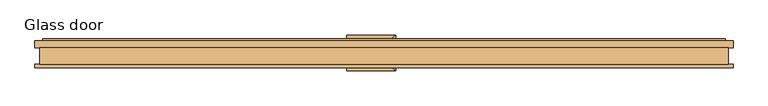
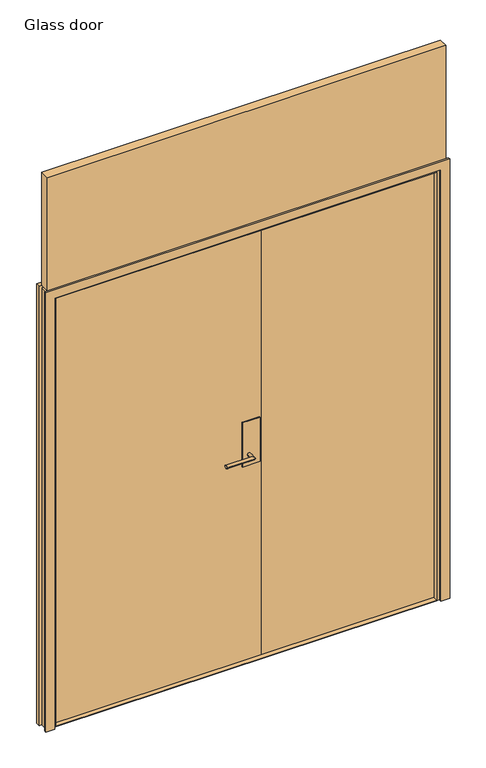
"""IFC4 building model written with IfcOpenShell, lengths in millimetres: door geometry, Glass door."""

from ifc_helpers import new_model, si_unit, frame, origin, origin_with_axes, place, context, project, spatial, polyline, circle_curve, ellipse_curve, outline, extrude, faceted_brep, source, transform, mapped, element, save
from ifc_brep_helpers import plane_surface, cylinder_surface, advanced_brep


def glass_door_e2efcd06(model_context):
    return source(origin(), model_context, "Body", "SolidModel", [
        advanced_brep(
        [(30.0231001, -0.5, 977.0), (15.0231001, -0.5, 977.0), (15.0231001, -23.0, 977.0), (30.0231001, -38.0, 977.0), (-97.4768999, -38.0, 977.0), (-97.4768999, -23.0, 977.0)],
        [
            (0, 1, circle_curve(frame((22.5231001, -0.5, 977.0), z_axis=(0.0, 1.0, 0.0), x_axis=(-1.0, 0.0, 0.0)), 7.5)),
            (1, 0, circle_curve(frame((22.5231001, -0.5, 977.0), z_axis=(0.0, 1.0, 0.0), x_axis=(-1.0, 0.0, 0.0)), 7.5)),
            (1, 2),
            (2, 3, ellipse_curve(frame((22.5231001, -30.5, 977.0), z_axis=(0.7071067811865475, 0.7071067811865475, 0.0), x_axis=(-0.7071067811865474, 0.7071067811865476, 0.0)), 10.6066017, 7.5)),
            (3, 0),
            (3, 2, ellipse_curve(frame((22.5231001, -30.5, 977.0), z_axis=(0.7071067811865475, 0.7071067811865475, 0.0), x_axis=(-0.7071067811865474, 0.7071067811865476, 0.0)), 10.6066017, 7.5)),
            (4, 5, circle_curve(frame((-97.4768999, -30.5, 977.0), z_axis=(-1.0, 0.0, 0.0), x_axis=(0.0, 1.0, 0.0)), 7.5)),
            (5, 4, circle_curve(frame((-97.4768999, -30.5, 977.0), z_axis=(-1.0, 0.0, 0.0), x_axis=(0.0, 1.0, 0.0)), 7.5)),
            (2, 5),
            (4, 3),
        ],
        [
            plane_surface(frame((22.5231001, -0.5, 977.0), z_axis=(0.0, 1.0, 0.0), x_axis=(0.0, 0.0, 1.0))),
            cylinder_surface(frame((22.5231001, -0.5, 977.0), z_axis=(0.0, 1.0, 0.0), x_axis=(-1.0, 0.0, 0.0)), 7.5),
            plane_surface(frame((-97.4768999, -30.5, 977.0), z_axis=(-1.0, 0.0, 0.0), x_axis=(0.0, 0.0, 1.0))),
            cylinder_surface(frame((22.5231001, -30.5, 977.0), z_axis=(1.0, 0.0, 0.0), x_axis=(0.0, 1.0, 0.0)), 7.5),
        ],
        [
            (0, [[1, 2]]),
            (1, [[3, 4, 5, -2]]),
            (1, [[-5, 6, -3, -1]]),
            (2, [[7, 8]]),
            (3, [[9, -7, 10, -4]]),
            (3, [[-10, -8, -9, -6]]),
        ],
    ),
        advanced_brep(
        [(15.0231001, 17.5, 977.0), (30.0231001, 17.5, 977.0), (30.0231001, 55.0, 977.0), (15.0231001, 40.0, 977.0), (-97.4768999, 40.0, 977.0), (-97.4768999, 55.0, 977.0)],
        [
            (0, 1, circle_curve(frame((22.5231001, 17.5, 977.0), z_axis=(0.0, -1.0, 0.0), x_axis=(1.0, 0.0, 0.0)), 7.5)),
            (1, 0, circle_curve(frame((22.5231001, 17.5, 977.0), z_axis=(0.0, -1.0, 0.0), x_axis=(1.0, 0.0, 0.0)), 7.5)),
            (1, 2),
            (2, 3, ellipse_curve(frame((22.5231001, 47.5, 977.0), z_axis=(0.7071067811865475, -0.7071067811865475, 0.0), x_axis=(-0.7071067811865474, -0.7071067811865476, 0.0)), 10.6066017, 7.5)),
            (3, 0),
            (3, 2, ellipse_curve(frame((22.5231001, 47.5, 977.0), z_axis=(0.7071067811865475, -0.7071067811865475, 0.0), x_axis=(-0.7071067811865474, -0.7071067811865476, 0.0)), 10.6066017, 7.5)),
            (4, 5, circle_curve(frame((-97.4768999, 47.5, 977.0), z_axis=(-1.0, 0.0, 0.0), x_axis=(0.0, 1.0, 0.0)), 7.5)),
            (5, 4, circle_curve(frame((-97.4768999, 47.5, 977.0), z_axis=(-1.0, 0.0, 0.0), x_axis=(0.0, 1.0, 0.0)), 7.5)),
            (2, 5),
            (4, 3),
        ],
        [
            plane_surface(frame((22.5231001, 17.5, 977.0), z_axis=(0.0, -1.0, 0.0), x_axis=(0.0, 0.0, 1.0))),
            cylinder_surface(frame((22.5231001, 17.5, 977.0), z_axis=(0.0, -1.0, 0.0), x_axis=(1.0, 0.0, 0.0)), 7.5),
            plane_surface(frame((-97.4768999, 47.5, 977.0), z_axis=(-1.0, 0.0, 0.0), x_axis=(0.0, 0.0, 1.0))),
            cylinder_surface(frame((22.5231001, 47.5, 977.0), z_axis=(1.0, 0.0, 0.0), x_axis=(0.0, 1.0, 0.0)), 7.5),
        ],
        [
            (0, [[1, 2]]),
            (1, [[3, 4, 5, -2]]),
            (1, [[-5, 6, -3, -1]]),
            (2, [[7, 8]]),
            (3, [[9, -7, 10, -4]]),
            (3, [[-10, -8, -9, -6]]),
        ],
    ),
        extrude(outline(polyline([(72.5231001, -0.5), (-7.4768999, -0.5), (-7.4768999, 17.5), (72.5231001, 17.5), (72.5231001, -0.5)])), frame((0.0, 0.0, 927.0), z_axis=(0.0, 0.0, 1.0), x_axis=(1.0, 0.0, 0.0)), (0.0, 0.0, 1.0), 210.0),
        extrude(outline(polyline([(862.5, 3.5), (82.5231001, 3.5), (82.5231001, 13.5), (862.5, 13.5), (862.5, 3.5)])), origin_with_axes(), (0.0, 0.0, 1.0), 2050.0),
        faceted_brep([(897.5, -21.0, 0.0), (909.5, -21.0, 0.0), (909.5, -30.5, 0.0), (870.5, -30.5, 0.0), (870.5, -18.5, 0.0), (857.5, -18.5, 0.0), (857.5, 0.5, 0.0), (869.5, 0.5, 0.0), (869.5, 44.5, 0.0), (889.5, 44.5, 0.0), (889.5, 39.5, 0.0), (909.5, 39.5, 0.0), (909.5, 21.0, 0.0), (897.5, 21.0, 0.0), (897.5, -21.0, 2078.0), (-897.5, -21.0, 2078.0), (-897.5, -21.0, 0.0), (-909.5, -21.0, 0.0), (-909.5, -21.0, 2090.0), (909.5, -21.0, 2090.0), (909.5, -30.5, 2090.0), (-909.5, -30.5, 2090.0), (-909.5, -30.5, 0.0), (-870.5, -30.5, 0.0), (-870.5, -30.5, 2051.0), (870.5, -30.5, 2051.0), (870.5, -18.5, 2051.0), (-870.5, -18.5, 2051.0), (-870.5, -18.5, 0.0), (-857.5, -18.5, 0.0), (-857.5, -18.5, 2038.0), (857.5, -18.5, 2038.0), (857.5, 0.5, 2038.0), (-857.5, 0.5, 2038.0), (-857.5, 0.5, 0.0), (-869.5, 0.5, 0.0), (-869.5, 0.5, 2050.0), (869.5, 0.5, 2050.0), (869.5, 44.5, 2050.0), (-869.5, 44.5, 2050.0), (-869.5, 44.5, 0.0), (-889.5, 44.5, 0.0), (-889.5, 44.5, 2070.0), (889.5, 44.5, 2070.0), (889.5, 39.5, 2070.0), (-889.5, 39.5, 2070.0), (-889.5, 39.5, 0.0), (-909.5, 39.5, 0.0), (-909.5, 39.5, 2090.0), (909.5, 39.5, 2090.0), (909.5, 21.0, 2090.0), (-909.5, 21.0, 2090.0), (-909.5, 21.0, 0.0), (-897.5, 21.0, 0.0), (-897.5, 21.0, 2078.0), (897.5, 21.0, 2078.0)], [[[0, 1, 2, 3, 4, 5, 6, 7, 8, 9, 10, 11, 12, 13]], [[1, 0, 14, 15, 16, 17, 18, 19]], [[2, 1, 19, 20]], [[3, 2, 20, 21, 22, 23, 24, 25]], [[4, 3, 25, 26]], [[5, 4, 26, 27, 28, 29, 30, 31]], [[6, 5, 31, 32]], [[7, 6, 32, 33, 34, 35, 36, 37]], [[8, 7, 37, 38]], [[9, 8, 38, 39, 40, 41, 42, 43]], [[10, 9, 43, 44]], [[11, 10, 44, 45, 46, 47, 48, 49]], [[12, 11, 49, 50]], [[13, 12, 50, 51, 52, 53, 54, 55]], [[0, 13, 55, 14]], [[16, 53, 52, 47, 46, 41, 40, 35, 34, 29, 28, 23, 22, 17]], [[15, 54, 53, 16]], [[51, 48, 47, 52]], [[45, 42, 41, 46]], [[39, 36, 35, 40]], [[33, 30, 29, 34]], [[27, 24, 23, 28]], [[21, 18, 17, 22]], [[14, 55, 54, 15]], [[20, 19, 18, 21]], [[26, 25, 24, 27]], [[32, 31, 30, 33]], [[38, 37, 36, 39]], [[44, 43, 42, 45]], [[50, 49, 48, 51]]]),
        extrude(outline(polyline([(-862.5, 13.5), (82.5231001, 13.5), (82.5231001, 3.5), (-862.5, 3.5), (-862.5, 13.5)])), origin_with_axes(), (0.0, 0.0, 1.0), 2050.0),
        extrude(outline(polyline([(869.5, 44.5), (869.5, 15.5), (857.5, 15.5), (857.5, -18.5), (-857.5, -18.5), (-857.5, 0.5), (-869.5, 0.5), (-869.5, 44.5), (869.5, 44.5)])), origin_with_axes(), (0.0, 0.0, 1.0), 2.0),
        extrude(outline(polyline([(897.5, 21.0), (897.5, -21.0), (-897.5, -21.0), (-897.5, 21.0), (897.5, 21.0)])), frame((0.0, 0.0, 2090.0), z_axis=(0.0, 0.0, 1.0), x_axis=(1.0, 0.0, 0.0)), (0.0, 0.0, 1.0), 538.0),
    ])


if __name__ == "__main__":
    model = new_model("IFC4")
    model_context = context("Model", 3, world=origin())
    ifc_project = project(units=[si_unit("LENGTHUNIT", "METRE", prefix="MILLI")], contexts=[model_context])
    site = spatial("IfcSite", under=ifc_project)
    building = spatial("IfcBuilding", under=site)
    placement = place(None, origin())
    glass_door_shape = glass_door_e2efcd06(model_context)
    element("IfcDoor", 1, ObjectType="Glass door", at=placement, inside=building, context=model_context, shape_type="MappedRepresentation", body=[
        mapped(glass_door_shape, transform((0.0, 0.0, 0.0), x_axis=(1.0, 0.0, 0.0), y_axis=(0.0, 1.0, 0.0), z_axis=(0.0, 0.0, 1.0))),
    ])
    save(model, "model.ifc")
